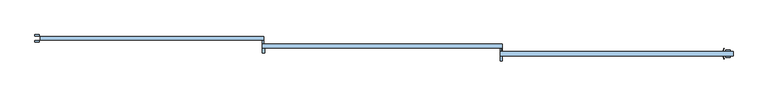
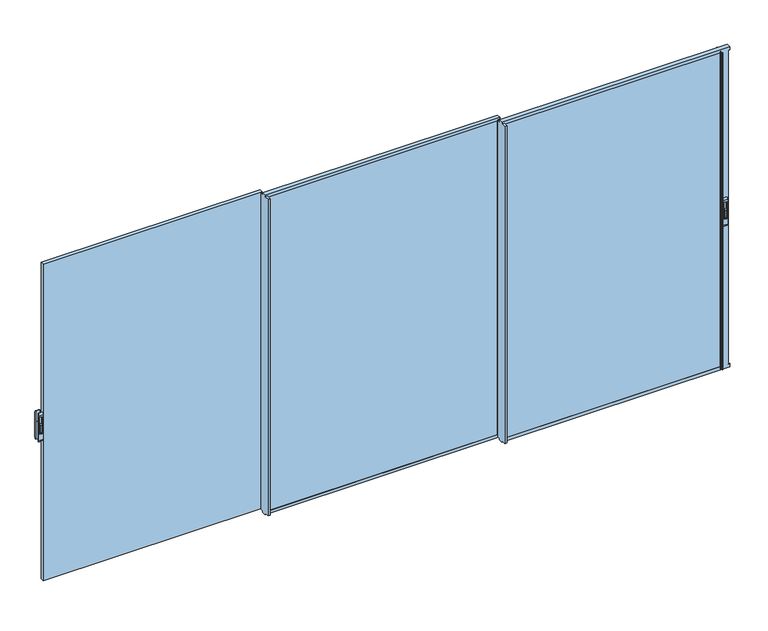
"""IFC4 building model written with IfcOpenShell, lengths in millimetres: window geometry."""

from ifc_helpers import new_model, si_unit, point, frame, frame_2d, origin, place, context, project, spatial, polyline, circle_curve, trimmed, segment, composite_curve, outline, extrude, faceted_brep, source, transform, mapped, element, save
from ifc_brep_helpers import plane_surface, cylinder_surface, revolved_surface, advanced_brep


def window_0e88af95(model_context):
    return source(origin(), model_context, "Body", "SolidModel", [
        extrude(outline(composite_curve([segment(polyline([(-105.3, 2225.2189223), (-105.3, 2289.6559659)]), True, "CONTINUOUS"), segment(trimmed(circle_curve(frame_2d((-94.7370436, 2289.6559659)), 10.5629564), [point((-105.3, 2289.6559659))], [point((-94.7370436, 2300.2189223))], False, "CARTESIAN"), True, "CONTINUOUS"), segment(polyline([(-94.7370436, 2300.2189223), (-99.5185218, 2225.2189223), (-105.3, 2225.2189223)]), True, "CONTINUOUS")], self_intersect=False)), frame((4088.439635, 0.0, 0.0), z_axis=(1.0, 0.0, 0.0), x_axis=(0.0, 1.0, 0.0)), (0.0, 0.0, 1.0), 14.8235768),
        advanced_brep(
        [(4113.8472469, -105.3, 2157.5), (4113.8472469, -93.3, 2140.0), (4113.8472469, -93.3, 2400.0), (4113.8472469, -105.3, 2382.5), (4077.8935563, -105.3, 2157.5), (4077.8935563, -105.3, 2382.5), (4077.8935563, -93.3, 2400.0), (4077.8935563, -93.3, 2140.0), (4087.0561714, -105.3, 2366.667345), (4104.6466754, -105.3, 2366.667345), (4104.6466754, -105.3, 2210.7687336), (4087.0561714, -105.3, 2210.7687336), (4104.6466754, -94.7370436, 2366.667345), (4087.0561714, -94.7370436, 2366.667345), (4087.0561714, -94.7370436, 2210.7687336), (4104.6466754, -94.7370436, 2210.7687336)],
        [
            (0, 1, circle_curve(frame((4113.8472469, -86.5395833, 2157.5), z_axis=(1.0, 0.0, 0.0), x_axis=(0.0, 0.0, -1.0)), 18.7604167)),
            (1, 2),
            (2, 3, circle_curve(frame((4113.8472469, -86.5395833, 2382.5), z_axis=(1.0, 0.0, 0.0), x_axis=(0.0, 0.0, -1.0)), 18.7604167)),
            (3, 0),
            (4, 5),
            (5, 6, circle_curve(frame((4077.8935563, -86.5395833, 2382.5), z_axis=(-1.0, 0.0, 0.0), x_axis=(0.0, 0.0, -1.0)), 18.7604167)),
            (6, 7),
            (7, 4, circle_curve(frame((4077.8935563, -86.5395833, 2157.5), z_axis=(-1.0, 0.0, 0.0), x_axis=(0.0, 0.0, -1.0)), 18.7604167)),
            (1, 7),
            (6, 2),
            (3, 5),
            (4, 0),
            (8, 9),
            (9, 10),
            (10, 11),
            (11, 8),
            (12, 13),
            (13, 14),
            (14, 15),
            (15, 12),
            (12, 9),
            (8, 13),
            (11, 14),
            (10, 15),
        ],
        [
            plane_surface(frame((4113.8472469, -86.5395833, 2138.7395833), z_axis=(1.0, 0.0, 0.0), x_axis=(0.0, 1.0, 0.0))),
            plane_surface(frame((4077.8935563, -86.5395833, 2138.7395833), z_axis=(-1.0, 0.0, 0.0), x_axis=(0.0, -1.0, 0.0))),
            plane_surface(frame((4113.8472469, -93.3, 2140.0), z_axis=(0.0, 1.0, 0.0), x_axis=(-1.0, 0.0, 0.0))),
            plane_surface(frame((4113.8472469, -105.3, 2382.5), z_axis=(0.0, -1.0, 0.0), x_axis=(-1.0, 0.0, 0.0))),
            plane_surface(frame((4087.0561714, -94.7370436, 2366.667345), z_axis=(0.0, -1.0, 0.0), x_axis=(1.0, 0.0, 0.0))),
            plane_surface(frame((4104.6466754, -105.3, 2366.667345), z_axis=(0.0, 0.0, -1.0), x_axis=(0.0, 1.0, 0.0))),
            plane_surface(frame((4087.0561714, -105.3, 2366.667345), z_axis=(1.0, 0.0, 0.0), x_axis=(0.0, 1.0, 0.0))),
            plane_surface(frame((4087.0561714, -105.3, 2210.7687336), z_axis=(0.0, 0.0, 1.0), x_axis=(0.0, 1.0, 0.0))),
            plane_surface(frame((4104.6466754, -105.3, 2210.7687336), z_axis=(-1.0, 0.0, 0.0), x_axis=(0.0, 1.0, 0.0))),
            cylinder_surface(frame((4077.8935563, -86.5395833, 2157.5), z_axis=(1.0, 0.0, 0.0), x_axis=(0.0, 0.0, -1.0)), 18.7604167),
            cylinder_surface(frame((4077.8935563, -86.5395833, 2382.5), z_axis=(1.0, 0.0, 0.0), x_axis=(0.0, 0.0, -1.0)), 18.7604167),
        ],
        [
            (0, [[1, 2, 3, 4]]),
            (1, [[5, 6, 7, 8]]),
            (2, [[-2, 9, -7, 10]]),
            (3, [[-4, 11, -5, 12], [13, 14, 15, 16]]),
            (4, [[17, 18, 19, 20]]),
            (5, [[-17, 21, -13, 22]]),
            (6, [[-18, -22, -16, 23]]),
            (7, [[-19, -23, -15, 24]]),
            (8, [[-20, -24, -14, -21]]),
            (9, [[-1, -12, -8, -9]]),
            (10, [[-3, -10, -6, -11]]),
        ],
    ),
        extrude(outline(composite_curve([segment(polyline([(-44.9, 2225.2189223), (-50.6814782, 2225.2189223), (-55.4629564, 2300.2189223)]), True, "CONTINUOUS"), segment(trimmed(circle_curve(frame_2d((-55.4629564, 2289.6559659)), 10.5629564), [point((-55.4629564, 2300.2189223))], [point((-44.9, 2289.6559659))], False, "CARTESIAN"), True, "CONTINUOUS"), segment(polyline([(-44.9, 2289.6559659), (-44.9, 2225.2189223)]), True, "CONTINUOUS")], self_intersect=False)), frame((4088.4775914, 0.0, 0.0), z_axis=(1.0, 0.0, 0.0), x_axis=(0.0, 1.0, 0.0)), (0.0, 0.0, 1.0), 14.8235768),
        advanced_brep(
        [(4077.8935563, -44.9, 2157.5), (4077.8935563, -56.9, 2140.0), (4077.8935563, -56.9, 2400.0), (4077.8935563, -44.9, 2382.5), (4113.8472469, -44.9, 2157.5), (4113.8472469, -44.9, 2382.5), (4113.8472469, -56.9, 2400.0), (4113.8472469, -56.9, 2140.0), (4104.6846318, -44.9, 2366.667345), (4087.0941278, -44.9, 2366.667345), (4087.0941278, -44.9, 2210.7687336), (4104.6846318, -44.9, 2210.7687336), (4087.0941278, -55.4629564, 2366.667345), (4104.6846318, -55.4629564, 2366.667345), (4104.6846318, -55.4629564, 2210.7687336), (4087.0941278, -55.4629564, 2210.7687336)],
        [
            (0, 1, circle_curve(frame((4077.8935563, -63.6604167, 2157.5), z_axis=(-1.0, 0.0, 0.0), x_axis=(0.0, 0.0, -1.0)), 18.7604167)),
            (1, 2),
            (2, 3, circle_curve(frame((4077.8935563, -63.6604167, 2382.5), z_axis=(-1.0, 0.0, 0.0), x_axis=(0.0, 0.0, -1.0)), 18.7604167)),
            (3, 0),
            (4, 5),
            (5, 6, circle_curve(frame((4113.8472469, -63.6604167, 2382.5), z_axis=(1.0, 0.0, 0.0), x_axis=(0.0, 0.0, -1.0)), 18.7604167)),
            (6, 7),
            (7, 4, circle_curve(frame((4113.8472469, -63.6604167, 2157.5), z_axis=(1.0, 0.0, 0.0), x_axis=(0.0, 0.0, -1.0)), 18.7604167)),
            (1, 7),
            (6, 2),
            (3, 5),
            (4, 0),
            (8, 9),
            (9, 10),
            (10, 11),
            (11, 8),
            (12, 13),
            (13, 14),
            (14, 15),
            (15, 12),
            (12, 9),
            (8, 13),
            (11, 14),
            (10, 15),
        ],
        [
            plane_surface(frame((4077.8935563, -63.6604167, 2138.7395833), z_axis=(-1.0, 0.0, 0.0), x_axis=(0.0, -1.0, 0.0))),
            plane_surface(frame((4113.8472469, -63.6604167, 2138.7395833), z_axis=(1.0, 0.0, 0.0), x_axis=(0.0, 1.0, 0.0))),
            plane_surface(frame((4077.8935563, -56.9, 2140.0), z_axis=(0.0, -1.0, 0.0), x_axis=(1.0, 0.0, 0.0))),
            plane_surface(frame((4077.8935563, -44.9, 2382.5), z_axis=(0.0, 1.0, 0.0), x_axis=(1.0, 0.0, 0.0))),
            plane_surface(frame((4104.6846318, -55.4629564, 2366.667345), z_axis=(0.0, 1.0, 0.0), x_axis=(-1.0, 0.0, 0.0))),
            plane_surface(frame((4087.0941278, -44.9, 2366.667345), z_axis=(0.0, 0.0, -1.0), x_axis=(0.0, -1.0, 0.0))),
            plane_surface(frame((4104.6846318, -44.9, 2366.667345), z_axis=(-1.0, 0.0, 0.0), x_axis=(0.0, -1.0, 0.0))),
            plane_surface(frame((4104.6846318, -44.9, 2210.7687336), z_axis=(0.0, 0.0, 1.0), x_axis=(0.0, -1.0, 0.0))),
            plane_surface(frame((4087.0941278, -44.9, 2210.7687336), z_axis=(1.0, 0.0, 0.0), x_axis=(0.0, -1.0, 0.0))),
            cylinder_surface(frame((4113.8472469, -63.6604167, 2157.5), z_axis=(-1.0, 0.0, 0.0), x_axis=(0.0, 0.0, -1.0)), 18.7604167),
            cylinder_surface(frame((4113.8472469, -63.6604167, 2382.5), z_axis=(-1.0, 0.0, 0.0), x_axis=(0.0, 0.0, -1.0)), 18.7604167),
        ],
        [
            (0, [[1, 2, 3, 4]]),
            (1, [[5, 6, 7, 8]]),
            (2, [[-2, 9, -7, 10]]),
            (3, [[-4, 11, -5, 12], [13, 14, 15, 16]]),
            (4, [[17, 18, 19, 20]]),
            (5, [[-17, 21, -13, 22]]),
            (6, [[-18, -22, -16, 23]]),
            (7, [[-19, -23, -15, 24]]),
            (8, [[-20, -24, -14, -21]]),
            (9, [[-1, -12, -8, -9]]),
            (10, [[-3, -10, -6, -11]]),
        ],
    ),
        extrude(outline(composite_curve([segment(polyline([(26.7, 2225.2189223), (26.7, 2289.6559659)]), True, "CONTINUOUS"), segment(trimmed(circle_curve(frame_2d((37.2629564, 2289.6559659)), 10.5629564), [point((26.7, 2289.6559659))], [point((37.2629564, 2300.2189223))], False, "CARTESIAN"), True, "CONTINUOUS"), segment(polyline([(37.2629564, 2300.2189223), (32.4814782, 2225.2189223), (26.7, 2225.2189223)]), True, "CONTINUOUS")], self_intersect=False)), frame((-1783.3474775, 0.0, 0.0), z_axis=(1.0, 0.0, 0.0), x_axis=(0.0, 1.0, 0.0)), (0.0, 0.0, 1.0), 14.8235768),
        advanced_brep(
        [(-1757.9398656, 26.7, 2157.5), (-1757.9398656, 38.7, 2140.0), (-1757.9398656, 38.7, 2400.0), (-1757.9398656, 26.7, 2382.5), (-1793.8935563, 26.7, 2157.5), (-1793.8935563, 26.7, 2382.5), (-1793.8935563, 38.7, 2400.0), (-1793.8935563, 38.7, 2140.0), (-1784.7309411, 26.7, 2366.667345), (-1767.1404371, 26.7, 2366.667345), (-1767.1404371, 26.7, 2210.7687336), (-1784.7309411, 26.7, 2210.7687336), (-1767.1404371, 37.2629564, 2366.667345), (-1784.7309411, 37.2629564, 2366.667345), (-1784.7309411, 37.2629564, 2210.7687336), (-1767.1404371, 37.2629564, 2210.7687336)],
        [
            (0, 1, circle_curve(frame((-1757.9398656, 45.4604167, 2157.5), z_axis=(1.0, 0.0, 0.0), x_axis=(0.0, 0.0, -1.0)), 18.7604167)),
            (1, 2),
            (2, 3, circle_curve(frame((-1757.9398656, 45.4604167, 2382.5), z_axis=(1.0, 0.0, 0.0), x_axis=(0.0, 0.0, -1.0)), 18.7604167)),
            (3, 0),
            (4, 5),
            (5, 6, circle_curve(frame((-1793.8935563, 45.4604167, 2382.5), z_axis=(-1.0, 0.0, 0.0), x_axis=(0.0, 0.0, -1.0)), 18.7604167)),
            (6, 7),
            (7, 4, circle_curve(frame((-1793.8935563, 45.4604167, 2157.5), z_axis=(-1.0, 0.0, 0.0), x_axis=(0.0, 0.0, -1.0)), 18.7604167)),
            (1, 7),
            (6, 2),
            (3, 5),
            (4, 0),
            (8, 9),
            (9, 10),
            (10, 11),
            (11, 8),
            (12, 13),
            (13, 14),
            (14, 15),
            (15, 12),
            (12, 9),
            (8, 13),
            (11, 14),
            (10, 15),
        ],
        [
            plane_surface(frame((-1757.9398656, 45.4604167, 2138.7395833), z_axis=(1.0, 0.0, 0.0), x_axis=(0.0, 1.0, 0.0))),
            plane_surface(frame((-1793.8935563, 45.4604167, 2138.7395833), z_axis=(-1.0, 0.0, 0.0), x_axis=(0.0, -1.0, 0.0))),
            plane_surface(frame((-1757.9398656, 38.7, 2140.0), z_axis=(0.0, 1.0, 0.0), x_axis=(-1.0, 0.0, 0.0))),
            plane_surface(frame((-1757.9398656, 26.7, 2382.5), z_axis=(0.0, -1.0, 0.0), x_axis=(-1.0, 0.0, 0.0))),
            plane_surface(frame((-1784.7309411, 37.2629564, 2366.667345), z_axis=(0.0, -1.0, 0.0), x_axis=(1.0, 0.0, 0.0))),
            plane_surface(frame((-1767.1404371, 26.7, 2366.667345), z_axis=(0.0, 0.0, -1.0), x_axis=(0.0, 1.0, 0.0))),
            plane_surface(frame((-1784.7309411, 26.7, 2366.667345), z_axis=(1.0, 0.0, 0.0), x_axis=(0.0, 1.0, 0.0))),
            plane_surface(frame((-1784.7309411, 26.7, 2210.7687336), z_axis=(0.0, 0.0, 1.0), x_axis=(0.0, 1.0, 0.0))),
            plane_surface(frame((-1767.1404371, 26.7, 2210.7687336), z_axis=(-1.0, 0.0, 0.0), x_axis=(0.0, 1.0, 0.0))),
            cylinder_surface(frame((-1793.8935563, 45.4604167, 2157.5), z_axis=(1.0, 0.0, 0.0), x_axis=(0.0, 0.0, -1.0)), 18.7604167),
            cylinder_surface(frame((-1793.8935563, 45.4604167, 2382.5), z_axis=(1.0, 0.0, 0.0), x_axis=(0.0, 0.0, -1.0)), 18.7604167),
        ],
        [
            (0, [[1, 2, 3, 4]]),
            (1, [[5, 6, 7, 8]]),
            (2, [[-2, 9, -7, 10]]),
            (3, [[-4, 11, -5, 12], [13, 14, 15, 16]]),
            (4, [[17, 18, 19, 20]]),
            (5, [[-17, 21, -13, 22]]),
            (6, [[-18, -22, -16, 23]]),
            (7, [[-19, -23, -15, 24]]),
            (8, [[-20, -24, -14, -21]]),
            (9, [[-1, -12, -8, -9]]),
            (10, [[-3, -10, -6, -11]]),
        ],
    ),
        extrude(outline(composite_curve([segment(polyline([(87.1, 2225.2189223), (81.3185218, 2225.2189223), (76.5370436, 2300.2189223)]), True, "CONTINUOUS"), segment(trimmed(circle_curve(frame_2d((76.5370436, 2289.6559659)), 10.5629564), [point((76.5370436, 2300.2189223))], [point((87.1, 2289.6559659))], False, "CARTESIAN"), True, "CONTINUOUS"), segment(polyline([(87.1, 2289.6559659), (87.1, 2225.2189223)]), True, "CONTINUOUS")], self_intersect=False)), frame((-1783.2632118, 0.0, 0.0), z_axis=(1.0, 0.0, 0.0), x_axis=(0.0, 1.0, 0.0)), (0.0, 0.0, 1.0), 14.8235768),
        advanced_brep(
        [(-1793.8472469, 87.1, 2157.5), (-1793.8472469, 75.1, 2140.0), (-1793.8472469, 75.1, 2400.0), (-1793.8472469, 87.1, 2382.5), (-1757.8935563, 87.1, 2157.5), (-1757.8935563, 87.1, 2382.5), (-1757.8935563, 75.1, 2400.0), (-1757.8935563, 75.1, 2140.0), (-1767.0561714, 87.1, 2366.667345), (-1784.6466754, 87.1, 2366.667345), (-1784.6466754, 87.1, 2210.7687336), (-1767.0561714, 87.1, 2210.7687336), (-1784.6466754, 76.5370436, 2366.667345), (-1767.0561714, 76.5370436, 2366.667345), (-1767.0561714, 76.5370436, 2210.7687336), (-1784.6466754, 76.5370436, 2210.7687336)],
        [
            (0, 1, circle_curve(frame((-1793.8472469, 68.3395833, 2157.5), z_axis=(-1.0, 0.0, 0.0), x_axis=(0.0, 0.0, -1.0)), 18.7604167)),
            (1, 2),
            (2, 3, circle_curve(frame((-1793.8472469, 68.3395833, 2382.5), z_axis=(-1.0, 0.0, 0.0), x_axis=(0.0, 0.0, -1.0)), 18.7604167)),
            (3, 0),
            (4, 5),
            (5, 6, circle_curve(frame((-1757.8935563, 68.3395833, 2382.5), z_axis=(1.0, 0.0, 0.0), x_axis=(0.0, 0.0, -1.0)), 18.7604167)),
            (6, 7),
            (7, 4, circle_curve(frame((-1757.8935563, 68.3395833, 2157.5), z_axis=(1.0, 0.0, 0.0), x_axis=(0.0, 0.0, -1.0)), 18.7604167)),
            (1, 7),
            (6, 2),
            (3, 5),
            (4, 0),
            (8, 9),
            (9, 10),
            (10, 11),
            (11, 8),
            (12, 13),
            (13, 14),
            (14, 15),
            (15, 12),
            (12, 9),
            (8, 13),
            (11, 14),
            (10, 15),
        ],
        [
            plane_surface(frame((-1793.8472469, 68.3395833, 2138.7395833), z_axis=(-1.0, 0.0, 0.0), x_axis=(0.0, -1.0, 0.0))),
            plane_surface(frame((-1757.8935563, 68.3395833, 2138.7395833), z_axis=(1.0, 0.0, 0.0), x_axis=(0.0, 1.0, 0.0))),
            plane_surface(frame((-1793.8472469, 75.1, 2140.0), z_axis=(0.0, -1.0, 0.0), x_axis=(1.0, 0.0, 0.0))),
            plane_surface(frame((-1793.8472469, 87.1, 2382.5), z_axis=(0.0, 1.0, 0.0), x_axis=(1.0, 0.0, 0.0))),
            plane_surface(frame((-1767.0561714, 76.5370436, 2366.667345), z_axis=(0.0, 1.0, 0.0), x_axis=(-1.0, 0.0, 0.0))),
            plane_surface(frame((-1784.6466754, 87.1, 2366.667345), z_axis=(0.0, 0.0, -1.0), x_axis=(0.0, -1.0, 0.0))),
            plane_surface(frame((-1767.0561714, 87.1, 2366.667345), z_axis=(-1.0, 0.0, 0.0), x_axis=(0.0, -1.0, 0.0))),
            plane_surface(frame((-1767.0561714, 87.1, 2210.7687336), z_axis=(0.0, 0.0, 1.0), x_axis=(0.0, -1.0, 0.0))),
            plane_surface(frame((-1784.6466754, 87.1, 2210.7687336), z_axis=(1.0, 0.0, 0.0), x_axis=(0.0, -1.0, 0.0))),
            cylinder_surface(frame((-1757.8935563, 68.3395833, 2157.5), z_axis=(-1.0, 0.0, 0.0), x_axis=(0.0, 0.0, -1.0)), 18.7604167),
            cylinder_surface(frame((-1757.8935563, 68.3395833, 2382.5), z_axis=(-1.0, 0.0, 0.0), x_axis=(0.0, 0.0, -1.0)), 18.7604167),
        ],
        [
            (0, [[1, 2, 3, 4]]),
            (1, [[5, 6, 7, 8]]),
            (2, [[-2, 9, -7, 10]]),
            (3, [[-4, 11, -5, 12], [13, 14, 15, 16]]),
            (4, [[17, 18, 19, 20]]),
            (5, [[-17, 21, -13, 22]]),
            (6, [[-18, -22, -16, 23]]),
            (7, [[-19, -23, -15, 24]]),
            (8, [[-20, -24, -14, -21]]),
            (9, [[-1, -12, -8, -9]]),
            (10, [[-3, -10, -6, -11]]),
        ],
    ),
        extrude(outline(polyline([(2168.0, -90.1), (2168.0, -60.1), (4068.9810829, -60.1), (4068.9810829, -90.1), (2168.0, -90.1)])), frame((0.0, 0.0, 844.0), z_axis=(0.0, 0.0, 1.0), x_axis=(1.0, 0.0, 0.0)), (0.0, 0.0, 1.0), 2908.9999325),
        advanced_brep(
        [(2160.0, -56.9, 832.5), (2160.0, -93.3, 832.5), (2160.0, -93.3, 844.0), (2160.0, -135.3, 844.0), (2160.0, -135.3, 3752.9999325), (2160.0, -93.3, 3752.9999325), (2160.0, -93.3, 3767.5), (2160.0, -56.9, 3767.5), (2160.0, -56.9, 3752.9999325), (2160.0, -30.1987557, 3752.9999325), (2160.0, -30.1987557, 844.0), (2160.0, -56.9, 844.0), (4140.0, -56.9, 832.5), (4140.0, -93.3, 832.5), (4140.0, -93.3, 859.0), (4128.2810829, -93.3, 859.0), (4128.2810829, -93.3, 3741.0), (4140.0, -93.3, 3741.0), (4140.0, -93.3, 3767.5), (2180.0, -93.3, 3752.9999325), (2180.0, -93.3, 3741.0), (4055.0, -93.3, 3741.0), (4055.0, -93.3, 859.0), (2180.0, -93.3, 859.0), (2180.0, -93.3, 844.0), (4056.9810829, -93.3, 3752.9999325), (4062.3626434, -93.3, 3752.9999325), (4062.3626434, -93.3, 847.0000675), (4056.9810829, -93.3, 847.0000675), (2170.0, -30.1987557, 844.0), (2170.0, -56.9, 844.0), (2180.0, -135.3, 844.0), (2180.0, -135.3, 3752.9999325), (2170.0, -30.1987557, 3752.9999325), (4140.0, -56.9, 859.0), (2170.0, -56.9, 3752.9999325), (4140.0, -56.9, 3767.5), (4140.0, -56.9, 3741.0), (4128.2810829, -56.9, 3741.0), (4128.2810829, -56.9, 859.0), (4055.0, -56.9, 859.0), (4055.0, -56.9, 3741.0), (2180.0, -56.9, 3741.0), (2180.0, -56.9, 859.0), (4062.3626434, -56.9, 3752.9999325), (4056.9810829, -56.9, 3752.9999325), (4056.9810829, -56.9, 847.0000675), (4062.3626434, -56.9, 847.0000675), (4140.0, -60.1, 859.0), (4140.0, -60.1, 847.0000675), (4140.0, -90.1, 847.0000675), (4140.0, -90.1, 859.0), (4128.2810829, -60.1, 859.0), (4128.2810829, -60.1, 847.0000675), (2168.0, -60.1, 847.0000675), (4068.9810829, -60.1, 847.0000675), (4068.9810829, -60.1, 3752.9999325), (2168.0, -60.1, 3752.9999325), (4055.0, -60.1, 859.0), (2180.0, -60.1, 859.0), (2180.0, -60.1, 3741.0), (4055.0, -60.1, 3741.0), (4140.0, -60.1, 3741.0), (4140.0, -60.1, 3752.9999325), (4128.2810829, -60.1, 3752.9999325), (4128.2810829, -60.1, 3741.0), (4128.2810829, -90.1, 847.0000675), (2168.0, -90.1, 847.0000675), (4068.9810829, -90.1, 847.0000675), (4128.2810829, -90.1, 859.0), (2168.0, -90.1, 3752.9999325), (4068.9810829, -90.1, 3752.9999325), (2180.0, -90.1, 859.0), (4055.0, -90.1, 859.0), (4055.0, -90.1, 3741.0), (2180.0, -90.1, 3741.0), (4140.0, -90.1, 3752.9999325), (4140.0, -90.1, 3741.0), (4128.2810829, -90.1, 3741.0), (4128.2810829, -90.1, 3752.9999325), (4055.1121686, -50.3823214, 3752.9999325), (4055.1121686, -50.3823214, 847.0000675), (4055.1121686, -47.825501, 847.0000675), (4059.7647392, -32.6076283, 847.0000675), (4060.721044, -31.9, 847.0000675), (4063.4810829, -31.9, 847.0000675), (4063.9558651, -32.5567861, 847.0000675), (4058.2207139, -47.9669635, 847.0000675), (4058.1075139, -49.9444659, 847.0000675), (4059.4788583, -54.7269121, 847.0000675), (4059.4788583, -95.4730879, 847.0000675), (4058.1075139, -100.2555341, 847.0000675), (4058.2207139, -102.2330365, 847.0000675), (4063.9558651, -117.6432139, 847.0000675), (4063.4810829, -118.3, 847.0000675), (4060.721044, -118.3, 847.0000675), (4059.7647392, -117.5923717, 847.0000675), (4055.1121686, -102.374499, 847.0000675), (4055.1121686, -99.8176786, 847.0000675), (4059.4788583, -54.7269121, 3752.9999325), (4059.4788583, -95.4730879, 3752.9999325), (4055.1121686, -99.8176786, 3752.9999325), (4058.1075139, -100.2555341, 3752.9999325), (4058.2207139, -102.2330365, 3752.9999325), (4063.9558651, -117.6432139, 3752.9999325), (4063.4810829, -118.3, 3752.9999325), (4060.721044, -118.3, 3752.9999325), (4059.7647392, -117.5923717, 3752.9999325), (4055.1121686, -102.374499, 3752.9999325), (4055.1121686, -47.825501, 3752.9999325), (4059.7647392, -32.6076283, 3752.9999325), (4060.721044, -31.9, 3752.9999325), (4063.4810829, -31.9, 3752.9999325), (4063.9558651, -32.5567861, 3752.9999325), (4058.2207139, -47.9669635, 3752.9999325), (4058.1075139, -49.9444659, 3752.9999325)],
        [
            (0, 1),
            (1, 2),
            (2, 3),
            (3, 4),
            (4, 5),
            (5, 6),
            (6, 7),
            (7, 8),
            (8, 9),
            (9, 10),
            (10, 11),
            (11, 0),
            (0, 12),
            (12, 13),
            (13, 1),
            (13, 14),
            (14, 15),
            (15, 16),
            (16, 17),
            (17, 18),
            (18, 6),
            (5, 19),
            (19, 20),
            (20, 21),
            (21, 22),
            (22, 23),
            (23, 24),
            (24, 2),
            (25, 26),
            (26, 27),
            (27, 28),
            (28, 25),
            (10, 29),
            (29, 30),
            (30, 11),
            (31, 3),
            (24, 31),
            (32, 4),
            (31, 32),
            (9, 33),
            (33, 29),
            (34, 12),
            (30, 35),
            (35, 8),
            (7, 36),
            (36, 37),
            (37, 38),
            (38, 39),
            (39, 34),
            (40, 41),
            (41, 42),
            (42, 43),
            (43, 40),
            (44, 45),
            (45, 46),
            (46, 47),
            (47, 44),
            (48, 49),
            (49, 50),
            (50, 51),
            (51, 14),
            (34, 48),
            (48, 52),
            (52, 53),
            (53, 49),
            (54, 55),
            (55, 56),
            (56, 57),
            (57, 54),
            (58, 59),
            (59, 60),
            (60, 61),
            (61, 58),
            (62, 63),
            (63, 64),
            (64, 65),
            (65, 62),
            (53, 66),
            (66, 50),
            (54, 67),
            (67, 68),
            (68, 55),
            (66, 69),
            (69, 51),
            (67, 70),
            (70, 71),
            (71, 68),
            (72, 73),
            (73, 74),
            (74, 75),
            (75, 72),
            (76, 77),
            (77, 78),
            (78, 79),
            (79, 76),
            (69, 15),
            (72, 23),
            (22, 73),
            (39, 52),
            (43, 59),
            (58, 40),
            (38, 65),
            (64, 79),
            (78, 16),
            (42, 60),
            (61, 41),
            (33, 35),
            (45, 80),
            (80, 81),
            (81, 46),
            (81, 82, circle_curve(frame((4059.5705149, -49.1039112, 847.0000675), z_axis=(0.0, 0.0, -1.0), x_axis=(0.0, -1.0, 0.0)), 4.638015)),
            (82, 83),
            (83, 84, circle_curve(frame((4060.721044, -32.9, 847.0000675), z_axis=(0.0, 0.0, -1.0), x_axis=(0.0, -1.0, 0.0)), 1.0)),
            (84, 85),
            (85, 86, circle_curve(frame((4063.4810829, -32.4, 847.0000675), z_axis=(0.0, 0.0, -1.0), x_axis=(0.0, -1.0, 0.0)), 0.5)),
            (86, 87, circle_curve(frame((3854.7879244, 36.5162025, 847.0000675), z_axis=(0.0, 0.0, -1.0), x_axis=(0.0, -1.0, 0.0)), 220.2777909)),
            (87, 88, circle_curve(frame((4060.991299, -49.1175538, 847.0000675), z_axis=(0.0, 0.0, 1.0), x_axis=(0.0, -1.0, 0.0)), 3.0)),
            (88, 89),
            (89, 47, circle_curve(frame((4062.3626434, -53.9, 847.0000675), z_axis=(0.0, 0.0, 1.0), x_axis=(0.0, -1.0, 0.0)), 3.0)),
            (27, 90, circle_curve(frame((4062.3626434, -96.3, 847.0000675), z_axis=(0.0, 0.0, 1.0), x_axis=(0.0, -1.0, 0.0)), 3.0)),
            (90, 91),
            (91, 92, circle_curve(frame((4060.991299, -101.0824462, 847.0000675), z_axis=(0.0, 0.0, 1.0), x_axis=(0.0, -1.0, 0.0)), 3.0)),
            (92, 93, circle_curve(frame((3854.7879244, -186.7162025, 847.0000675), z_axis=(0.0, 0.0, -1.0), x_axis=(0.0, -1.0, 0.0)), 220.2777909)),
            (93, 94, circle_curve(frame((4063.4810829, -117.8, 847.0000675), z_axis=(0.0, 0.0, -1.0), x_axis=(0.0, -1.0, 0.0)), 0.5)),
            (94, 95),
            (95, 96, circle_curve(frame((4060.721044, -117.3, 847.0000675), z_axis=(0.0, 0.0, -1.0), x_axis=(0.0, -1.0, 0.0)), 1.0)),
            (96, 97),
            (97, 98, circle_curve(frame((4059.5705149, -101.0960888, 847.0000675), z_axis=(0.0, 0.0, -1.0), x_axis=(0.0, -1.0, 0.0)), 4.638015)),
            (98, 28),
            (99, 44, circle_curve(frame((4062.3626434, -53.9, 3752.9999325), z_axis=(0.0, 0.0, 1.0), x_axis=(0.0, -1.0, 0.0)), 3.0)),
            (89, 99),
            (21, 74),
            (75, 20),
            (19, 32),
            (26, 100, circle_curve(frame((4062.3626434, -96.3, 3752.9999325), z_axis=(0.0, 0.0, 1.0), x_axis=(0.0, -1.0, 0.0)), 3.0)),
            (100, 90),
            (101, 25),
            (98, 101),
            (57, 70),
            (71, 56),
            (100, 102),
            (102, 91),
            (102, 103, circle_curve(frame((4060.991299, -101.0824462, 3752.9999325), z_axis=(0.0, 0.0, 1.0), x_axis=(0.0, -1.0, 0.0)), 3.0)),
            (103, 92),
            (103, 104, circle_curve(frame((3854.7879244, -186.7162025, 3752.9999325), z_axis=(0.0, 0.0, -1.0), x_axis=(0.0, -1.0, 0.0)), 220.2777909)),
            (104, 93),
            (104, 105, circle_curve(frame((4063.4810829, -117.8, 3752.9999325), z_axis=(0.0, 0.0, -1.0), x_axis=(0.0, -1.0, 0.0)), 0.5)),
            (105, 94),
            (105, 106),
            (106, 95),
            (106, 107, circle_curve(frame((4060.721044, -117.3, 3752.9999325), z_axis=(0.0, 0.0, -1.0), x_axis=(0.0, -1.0, 0.0)), 1.0)),
            (107, 96),
            (107, 108),
            (108, 97),
            (108, 101, circle_curve(frame((4059.5705149, -101.0960888, 3752.9999325), z_axis=(0.0, 0.0, -1.0), x_axis=(0.0, -1.0, 0.0)), 4.638015)),
            (80, 109, circle_curve(frame((4059.5705149, -49.1039112, 3752.9999325), z_axis=(0.0, 0.0, -1.0), x_axis=(0.0, -1.0, 0.0)), 4.638015)),
            (109, 82),
            (109, 110),
            (110, 83),
            (110, 111, circle_curve(frame((4060.721044, -32.9, 3752.9999325), z_axis=(0.0, 0.0, -1.0), x_axis=(0.0, -1.0, 0.0)), 1.0)),
            (111, 84),
            (111, 112),
            (112, 85),
            (112, 113, circle_curve(frame((4063.4810829, -32.4, 3752.9999325), z_axis=(0.0, 0.0, -1.0), x_axis=(0.0, -1.0, 0.0)), 0.5)),
            (113, 86),
            (113, 114, circle_curve(frame((3854.7879244, 36.5162025, 3752.9999325), z_axis=(0.0, 0.0, -1.0), x_axis=(0.0, -1.0, 0.0)), 220.2777909)),
            (114, 87),
            (114, 115, circle_curve(frame((4060.991299, -49.1175538, 3752.9999325), z_axis=(0.0, 0.0, 1.0), x_axis=(0.0, -1.0, 0.0)), 3.0)),
            (115, 88),
            (115, 99),
            (18, 36),
            (62, 37),
            (17, 77),
            (76, 63),
        ],
        [
            plane_surface(frame((2160.0, -56.9, 859.0), z_axis=(-1.0, 0.0, 0.0), x_axis=(0.0, 1.0, 0.0))),
            plane_surface(frame((2160.0, -56.9, 832.5), z_axis=(0.0, 0.0, -1.0), x_axis=(1.0, 0.0, 0.0))),
            plane_surface(frame((2160.0, -93.3, 832.5), z_axis=(0.0, -1.0, 0.0), x_axis=(1.0, 0.0, 0.0))),
            plane_surface(frame((2160.0, -135.3, 844.0), z_axis=(0.0, 0.0, -1.0), x_axis=(0.0, 1.0, 0.0))),
            plane_surface(frame((2160.0, -135.3, 3752.9999325), z_axis=(0.0, -1.0, 0.0), x_axis=(0.0, 0.0, -1.0))),
            plane_surface(frame((2170.0, -30.1987557, 3752.9999325), z_axis=(0.0, 1.0, 0.0), x_axis=(0.0, 0.0, -1.0))),
            plane_surface(frame((2160.0, -56.9, 859.0), z_axis=(0.0, 1.0, 0.0), x_axis=(1.0, 0.0, 0.0))),
            plane_surface(frame((4140.0, -56.9, 859.0), z_axis=(1.0, 0.0, 0.0), x_axis=(0.0, -1.0, 0.0))),
            plane_surface(frame((2160.0, -60.1, 847.0000675), z_axis=(0.0, -1.0, 0.0), x_axis=(1.0, 0.0, 0.0))),
            plane_surface(frame((2160.0, -90.1, 847.0000675), z_axis=(0.0, 0.0, 1.0), x_axis=(1.0, 0.0, 0.0))),
            plane_surface(frame((2160.0, -90.1, 859.0), z_axis=(0.0, 1.0, 0.0), x_axis=(1.0, 0.0, 0.0))),
            plane_surface(frame((2160.0, -93.3, 859.0), z_axis=(0.0, 0.0, 1.0), x_axis=(1.0, 0.0, 0.0))),
            plane_surface(frame((2160.0, -60.1, 859.0), z_axis=(0.0, 0.0, 1.0), x_axis=(1.0, 0.0, 0.0))),
            plane_surface(frame((4128.2810829, -93.3, 3752.9999325), z_axis=(1.0, 0.0, 0.0), x_axis=(0.0, 0.0, -1.0))),
            plane_surface(frame((2180.0, -60.1, 3752.9999325), z_axis=(1.0, 0.0, 0.0), x_axis=(0.0, 0.0, -1.0))),
            plane_surface(frame((4055.0, -56.9, 3752.9999325), z_axis=(-1.0, 0.0, 0.0), x_axis=(0.0, 0.0, -1.0))),
            plane_surface(frame((2170.0, -56.9, 3752.9999325), z_axis=(1.0, 0.0, 0.0), x_axis=(0.0, 0.0, -1.0))),
            plane_surface(frame((4055.1121686, -50.3823214, 3752.9999325), z_axis=(-0.9612616959381878, -0.2756373558174565, 0.0), x_axis=(0.0, 0.0, -1.0))),
            plane_surface(frame((4055.0, 100.0, 847.0000675), z_axis=(0.0, 0.0, -1.0), x_axis=(0.0, -1.0, 0.0))),
            revolved_surface(polyline([(4062.3626434, -56.9, 847.0000675000001), (4062.3626434, -56.9, 3752.9999325)]), (4062.3626434, -53.9, 3752.9999325), (0.0, 0.0, -1.0)),
            plane_surface(frame((4055.0, -90.1, 3752.9999325), z_axis=(-1.0, 0.0, 0.0), x_axis=(0.0, 0.0, -1.0))),
            plane_surface(frame((2180.0, -135.3, 3752.9999325), z_axis=(1.0, 0.0, 0.0), x_axis=(0.0, 0.0, -1.0))),
            revolved_surface(polyline([(4062.3626434, -99.3, 847.0000675000001), (4062.3626434, -99.3, 3752.9999325)]), (4062.3626434, -96.3, 3752.9999325), (0.0, 0.0, -1.0)),
            plane_surface(frame((4056.9810829, -93.3, 3752.9999325), z_axis=(-0.9612616959385288, 0.27563735581626686, 0.0), x_axis=(0.0, 0.0, -1.0))),
            plane_surface(frame((2168.0, -90.1, 3752.9999325), z_axis=(1.0, 0.0, 0.0), x_axis=(0.0, 0.0, -1.0))),
            plane_surface(frame((4068.9810829, -60.1, 3752.9999325), z_axis=(-1.0, 0.0, 0.0), x_axis=(0.0, 0.0, -1.0))),
            plane_surface(frame((4058.1075139, -100.2555341, 3752.9999325), z_axis=(0.9612616959425974, -0.2756373558020785, 0.0), x_axis=(0.0, 0.0, -1.0))),
            revolved_surface(polyline([(4060.991299, -104.0824462, 847.0000675000001), (4060.991299, -104.0824462, 3752.9999325)]), (4060.991299, -101.0824462, 3752.9999325), (0.0, 0.0, -1.0)),
            cylinder_surface(frame((3854.7879244, -186.7162025, 3752.9999325), z_axis=(0.0, 0.0, 1.0), x_axis=(0.0, -1.0, 0.0)), 220.2777909),
            cylinder_surface(frame((4063.4810829, -117.8, 3752.9999325), z_axis=(0.0, 0.0, 1.0), x_axis=(0.0, -1.0, 0.0)), 0.5),
            plane_surface(frame((4060.721044, -118.3, 3752.9999325), z_axis=(0.0, -1.0, 0.0), x_axis=(0.0, 0.0, -1.0))),
            cylinder_surface(frame((4060.721044, -117.3, 3752.9999325), z_axis=(0.0, 0.0, 1.0), x_axis=(0.0, -1.0, 0.0)), 1.0),
            plane_surface(frame((4055.1121686, -102.374499, 3752.9999325), z_axis=(-0.9563047559631224, -0.2923717047224525, 0.0), x_axis=(0.0, 0.0, -1.0))),
            cylinder_surface(frame((4059.5705149, -101.0960888, 3752.9999325), z_axis=(0.0, 0.0, 1.0), x_axis=(0.0, -1.0, 0.0)), 4.638015),
            cylinder_surface(frame((4059.5705149, -49.1039112, 3752.9999325), z_axis=(0.0, 0.0, 1.0), x_axis=(0.0, -1.0, 0.0)), 4.638015),
            plane_surface(frame((4059.7647392, -32.6076283, 3752.9999325), z_axis=(-0.9563047559631042, 0.29237170472251234, 0.0), x_axis=(0.0, 0.0, -1.0))),
            cylinder_surface(frame((4060.721044, -32.9, 3752.9999325), z_axis=(0.0, 0.0, 1.0), x_axis=(0.0, -1.0, 0.0)), 1.0),
            plane_surface(frame((4063.4810829, -31.9, 3752.9999325), z_axis=(0.0, 1.0, 0.0), x_axis=(0.0, 0.0, -1.0))),
            cylinder_surface(frame((4063.4810829, -32.4, 3752.9999325), z_axis=(0.0, 0.0, 1.0), x_axis=(0.0, -1.0, 0.0)), 0.5),
            cylinder_surface(frame((3854.7879244, 36.5162025, 3752.9999325), z_axis=(0.0, 0.0, 1.0), x_axis=(0.0, -1.0, 0.0)), 220.2777909),
            revolved_surface(polyline([(4060.991299, -52.1175538, 847.0000675000001), (4060.991299, -52.1175538, 3752.9999325)]), (4060.991299, -49.1175538, 3752.9999325), (0.0, 0.0, -1.0)),
            plane_surface(frame((4059.4788583, -54.7269121, 3752.9999325), z_axis=(0.9612616959384683, 0.27563735581647836, 0.0), x_axis=(0.0, 0.0, -1.0))),
            plane_surface(frame((2160.0, -135.3, 3752.9999325), z_axis=(0.0, 0.0, 1.0), x_axis=(0.0, -1.0, 0.0))),
            plane_surface(frame((2160.0, -93.3, 3767.5), z_axis=(0.0, 0.0, 1.0), x_axis=(1.0, 0.0, 0.0))),
            plane_surface(frame((4140.0, -60.1, 3741.0), z_axis=(1.0, 0.0, 0.0), x_axis=(0.0, 0.0, -1.0))),
            plane_surface(frame((2160.0, -56.9, 3741.0), z_axis=(0.0, 0.0, -1.0), x_axis=(1.0, 0.0, 0.0))),
            plane_surface(frame((4055.0, 100.0, 3752.9999325), z_axis=(0.0, 0.0, 1.0), x_axis=(0.0, -1.0, 0.0))),
            plane_surface(frame((2160.0, -90.1, 3741.0), z_axis=(0.0, 0.0, -1.0), x_axis=(1.0, 0.0, 0.0))),
            plane_surface(frame((2160.0, -60.1, 3752.9999325), z_axis=(0.0, 0.0, -1.0), x_axis=(1.0, 0.0, 0.0))),
        ],
        [
            (0, [[1, 2, 3, 4, 5, 6, 7, 8, 9, 10, 11, 12]]),
            (1, [[-1, 13, 14, 15]]),
            (2, [[16, 17, 18, 19, 20, 21, -6, 22, 23, 24, 25, 26, 27, 28, -2, -15], [29, 30, 31, 32]]),
            (3, [[33, 34, 35, -11]]),
            (3, [[36, -3, -28, 37]]),
            (4, [[38, -4, -36, 39]]),
            (5, [[40, 41, -33, -10]]),
            (6, [[42, -13, -12, -35, 43, 44, -8, 45, 46, 47, 48, 49], [50, 51, 52, 53], [54, 55, 56, 57]]),
            (7, [[58, 59, 60, 61, -16, -14, -42, 62]]),
            (8, [[-58, 63, 64, 65]]),
            (8, [[66, 67, 68, 69], [70, 71, 72, 73]]),
            (8, [[74, 75, 76, 77]]),
            (9, [[-59, -65, 78, 79]]),
            (9, [[80, 81, 82, -66]]),
            (10, [[-60, -79, 83, 84]]),
            (10, [[-81, 85, 86, 87], [88, 89, 90, 91]]),
            (10, [[92, 93, 94, 95]]),
            (11, [[-61, -84, 96, -17]]),
            (11, [[97, -26, 98, -88]]),
            (12, [[-62, -49, 99, -63]]),
            (12, [[100, -70, 101, -53]]),
            (13, [[-99, -48, 102, -76, 103, -94, 104, -18, -96, -83, -78, -64]]),
            (14, [[-100, -52, 105, -71]]),
            (15, [[-101, -73, 106, -50]]),
            (16, [[107, -43, -34, -41]]),
            (17, [[-55, 108, 109, 110]]),
            (18, [[-110, 111, 112, 113, 114, 115, 116, 117, 118, 119, -56]]),
            (18, [[120, 121, 122, 123, 124, 125, 126, 127, 128, 129, -31]]),
            (19, [[130, -57, -119, 131]]),
            (20, [[-98, -25, 132, -89]]),
            (21, [[-39, -37, -27, -97, -91, 133, -23, 134]]),
            (22, [[-30, 135, 136, -120]]),
            (23, [[137, -32, -129, 138]]),
            (24, [[-85, -80, -69, 139]]),
            (25, [[-67, -82, -87, 140]]),
            (26, [[141, 142, -121, -136]]),
            (27, [[143, 144, -122, -142]]),
            (28, [[145, 146, -123, -144]]),
            (29, [[147, 148, -124, -146]]),
            (30, [[149, 150, -125, -148]]),
            (31, [[151, 152, -126, -150]]),
            (32, [[153, 154, -127, -152]]),
            (33, [[155, -138, -128, -154]]),
            (34, [[156, 157, -111, -109]]),
            (35, [[158, 159, -112, -157]]),
            (36, [[160, 161, -113, -159]]),
            (37, [[162, 163, -114, -161]]),
            (38, [[164, 165, -115, -163]]),
            (39, [[166, 167, -116, -165]]),
            (40, [[168, 169, -117, -167]]),
            (41, [[170, -131, -118, -169]]),
            (42, [[-38, -134, -22, -5]]),
            (42, [[-107, -40, -9, -44]]),
            (43, [[-7, -21, 171, -45]]),
            (44, [[172, -46, -171, -20, 173, -92, 174, -74]]),
            (45, [[-172, -77, -102, -47]]),
            (45, [[-72, -105, -51, -106]]),
            (46, [[-130, -170, -168, -166, -164, -162, -160, -158, -156, -108, -54]]),
            (46, [[-137, -155, -153, -151, -149, -147, -145, -143, -141, -135, -29]]),
            (47, [[-173, -19, -104, -93]]),
            (47, [[-90, -132, -24, -133]]),
            (48, [[-174, -95, -103, -75]]),
            (48, [[-68, -140, -86, -139]]),
        ],
    ),
        extrude(outline(polyline([(148.0, -24.1), (148.0, 5.9), (2172.0, 5.9), (2172.0, -24.1), (148.0, -24.1)])), frame((0.0, 0.0, 847.0000675), z_axis=(0.0, 0.0, 1.0), x_axis=(1.0, 0.0, 0.0)), (0.0, 0.0, 1.0), 2905.9998651),
        faceted_brep([(140.0, 9.1, 832.5), (140.0, -27.3, 832.5), (140.0, -27.3, 847.0000675), (140.0, -69.2930091, 847.0000675), (140.0, -69.2930091, 3752.9999325), (140.0, -27.3, 3752.9999325), (140.0, -27.3, 3765.0), (140.0, 9.1, 3765.0), (140.0, 9.1, 3752.9999325), (140.0, 35.7, 3752.9999325), (140.0, 35.7, 847.0000675), (140.0, 9.1, 847.0000675), (2180.0, 9.1, 832.5), (2180.0, -27.3, 832.5), (2180.0, -27.3, 847.0000675), (2170.0, -27.3, 847.0000675), (2170.0, -27.3, 3752.9999325), (2180.0, -27.3, 3752.9999325), (2180.0, -27.3, 3765.0), (160.0, -27.3, 3752.9999325), (160.0, -27.3, 3741.0), (2160.0, -27.3, 3741.0), (2160.0, -27.3, 859.0), (160.0, -27.3, 859.0), (160.0, -27.3, 847.0000675), (160.0, -69.2930091, 847.0000675), (150.0, 35.7, 847.0000675), (150.0, 9.1, 847.0000675), (160.0, -69.2930091, 3752.9999325), (150.0, 35.7, 3752.9999325), (2180.0, 9.1, 3765.0), (150.0, 9.1, 3752.9999325), (2160.0, 9.1, 859.0), (2160.0, 9.1, 3741.0), (160.0, 9.1, 3741.0), (160.0, 9.1, 859.0), (2180.0, -53.9, 3752.9999325), (2180.0, -53.9, 847.0000675), (2170.0, -53.9, 3752.9999325), (2170.0, -53.9, 847.0000675), (2160.0, 5.9, 859.0), (160.0, 5.9, 859.0), (2160.0, 5.9, 3741.0), (160.0, 5.9, 3741.0), (148.0, 5.9, 847.0000675), (2172.0, 5.9, 847.0000675), (2172.0, 5.9, 3752.9999325), (148.0, 5.9, 3752.9999325), (2160.0, -24.1, 859.0), (2160.0, -24.1, 3741.0), (160.0, -24.1, 859.0), (160.0, -24.1, 3741.0), (2172.0, -24.1, 847.0000675), (148.0, -24.1, 847.0000675), (148.0, -24.1, 3752.9999325), (2172.0, -24.1, 3752.9999325)], [[[0, 1, 2, 3, 4, 5, 6, 7, 8, 9, 10, 11]], [[1, 0, 12, 13]], [[1, 13, 14, 15, 16, 17, 18, 6, 5, 19, 20, 21, 22, 23, 24, 2]], [[25, 3, 2, 24]], [[10, 26, 27, 11]], [[28, 4, 3, 25]], [[9, 29, 26, 10]], [[30, 12, 0, 11, 27, 31, 8, 7], [32, 33, 34, 35]], [[13, 12, 30, 18, 17, 36, 37, 14]], [[36, 38, 39, 37]], [[37, 39, 15, 14]], [[40, 32, 35, 41]], [[32, 40, 42, 33]], [[41, 35, 34, 43]], [[44, 45, 46, 47], [40, 41, 43, 42]], [[29, 31, 27, 26]], [[38, 16, 15, 39]], [[48, 22, 21, 49]], [[22, 48, 50, 23]], [[28, 25, 24, 23, 50, 51, 20, 19]], [[52, 53, 54, 55], [50, 48, 49, 51]], [[52, 45, 44, 53]], [[54, 53, 44, 47]], [[46, 45, 52, 55]], [[4, 28, 19, 5]], [[31, 29, 9, 8]], [[7, 6, 18, 30]], [[16, 38, 36, 17]], [[34, 33, 42, 43]], [[51, 49, 21, 20]], [[55, 54, 47, 46]]]),
        extrude(outline(polyline([(-1749.0, 41.9), (-1749.0, 71.9), (152.0, 71.9), (152.0, 41.9), (-1749.0, 41.9)])), frame((0.0, 0.0, 847.0000675), z_axis=(0.0, 0.0, 1.0), x_axis=(1.0, 0.0, 0.0)), (0.0, 0.0, 1.0), 2905.9998651),
    ])


if __name__ == "__main__":
    model = new_model("IFC4")
    model_context = context("Model", 3, world=origin())
    ifc_project = project(units=[si_unit("LENGTHUNIT", "METRE", prefix="MILLI")], contexts=[model_context])
    site = spatial("IfcSite", under=ifc_project)
    building = spatial("IfcBuilding", under=site)
    placement = place(None, origin())
    window_shape = window_0e88af95(model_context)
    element("IfcWindow", 1, at=placement, inside=building, context=model_context, shape_type="MappedRepresentation", body=[
        mapped(window_shape, transform((0.0, 0.0, 0.0), x_axis=(1.0, 0.0, 0.0), y_axis=(0.0, 1.0, 0.0), z_axis=(0.0, 0.0, 1.0))),
    ])
    save(model, "model.ifc")
